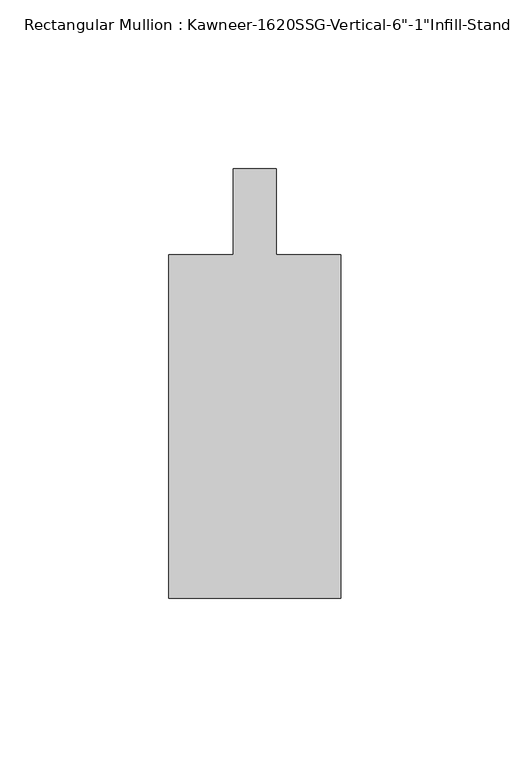
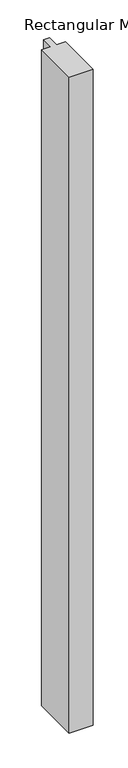
"""IFC4 building model written with IfcOpenShell, lengths in millimetres: member geometry."""

from ifc_helpers import new_model, si_unit, frame, origin, place, context, project, spatial, polyline, outline, extrude, source, transform, mapped, element, save


def member_10d09d35(model_context):
    return source(origin(), model_context, "Body", "SweptSolid", [
        extrude(outline(polyline([(25.4, -123.825), (-25.4, -123.825), (-25.4, -22.225), (-6.35, -22.225), (-6.35, 3.175), (6.35, 3.175), (6.35, -22.225), (25.4, -22.225), (25.4, -123.825)])), frame((0.0, 0.0, -1473.2), z_axis=(0.0, 0.0, 1.0), x_axis=(1.0, 0.0, 0.0)), (0.0, 0.0, 1.0), 1473.2),
    ])


if __name__ == "__main__":
    model = new_model("IFC4")
    model_context = context("Model", 3, world=origin())
    ifc_project = project(units=[si_unit("LENGTHUNIT", "METRE", prefix="MILLI")], contexts=[model_context])
    site = spatial("IfcSite", under=ifc_project)
    building = spatial("IfcBuilding", under=site)
    placement = place(None, origin())
    member_shape = member_10d09d35(model_context)
    element("IfcMember", 1, ObjectType="Rectangular Mullion : Kawneer-1620SSG-Vertical-6\"-1\"Infill-Standard-3/8\"Offset", at=placement, inside=building, context=model_context, shape_type="MappedRepresentation", body=[
        mapped(member_shape, transform((0.0, 0.0, 0.0), x_axis=(1.0, 0.0, 0.0), y_axis=(0.0, 1.0, 0.0), z_axis=(0.0, 0.0, 1.0))),
    ])
    save(model, "model.ifc")
